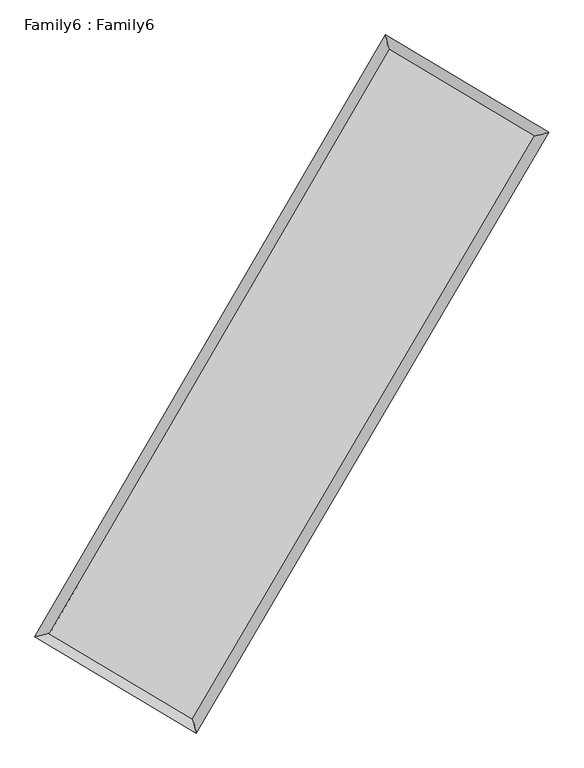
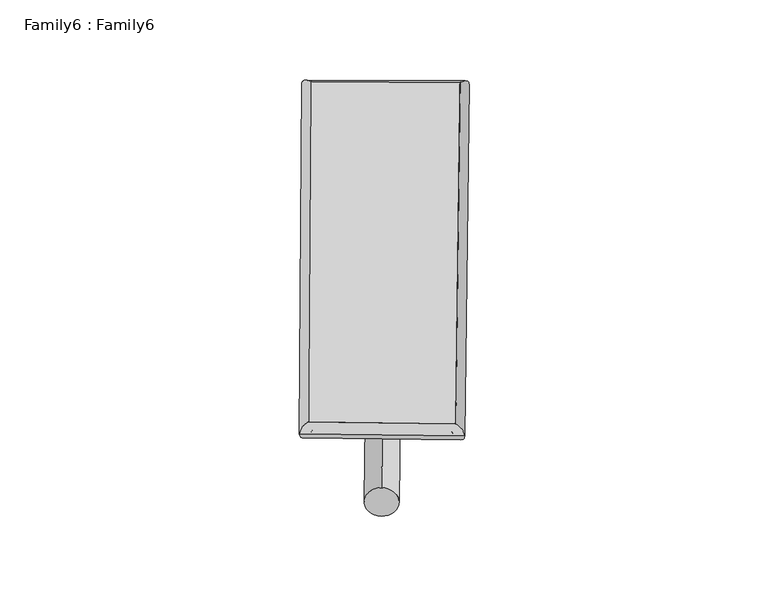
"""IFC4 building model written with IfcOpenShell, lengths in millimetres: plate geometry, Family6 : Family6."""

from ifc_helpers import new_model, si_unit, point, frame, origin, origin_2d, place, context, project, spatial, circle_curve, ellipse_curve, trimmed, segment, composite_curve, outline, extrude, source, transform, mapped, element, save
from ifc_brep_helpers import plane_surface, cylinder_surface, spline_surface, advanced_brep


def family6_family6_68064246(model_context):
    return source(origin(), model_context, "Body", "SolidModel", [
        extrude(outline(composite_curve([segment(trimmed(circle_curve(origin_2d(), 76.2), [point((-75.4341514, -10.7763074))], [point((75.4341514, 10.7763074))], False, "CARTESIAN"), True, "CONTINUOUS"), segment(trimmed(circle_curve(origin_2d(), 76.2), [point((75.4341514, 10.7763074))], [point((-75.4341514, -10.7763074))], False, "CARTESIAN"), True, "CONTINUOUS")], self_intersect=False)), frame((9144.0, 9144.0, 0.0), z_axis=(0.6739639402048355, 0.6857974999852202, 0.2746896363490895), x_axis=(-0.6780620175716024, 0.7218373972519435, -0.13850152437886007)), (0.0, 0.0, 1.0), 5568.7121542),
        extrude(outline(composite_curve([segment(trimmed(circle_curve(origin_2d(), 76.2), [point((-53.8815367, 53.8815367))], [point((53.8815367, -53.8815367))], False, "CARTESIAN"), True, "CONTINUOUS"), segment(trimmed(circle_curve(origin_2d(), 76.2), [point((53.8815367, -53.8815367))], [point((-53.8815367, 53.8815367))], False, "CARTESIAN"), True, "CONTINUOUS")], self_intersect=False)), frame((9144.0, 9144.0, 0.0), z_axis=(-0.6716954859417771, -0.6879505197017818, 0.27486225024089495), x_axis=(0.6430626313834353, -0.35722405065524415, 0.6773931131563647)), (0.0, 0.0, 1.0), 5565.1153701),
        extrude(outline(composite_curve([segment(trimmed(circle_curve(origin_2d(), 76.2), [point((-53.8815367, -53.8815367))], [point((53.8815367, 53.8815367))], False, "CARTESIAN"), True, "CONTINUOUS"), segment(trimmed(circle_curve(origin_2d(), 76.2), [point((53.8815367, 53.8815367))], [point((-53.8815367, -53.8815367))], False, "CARTESIAN"), True, "CONTINUOUS")], self_intersect=False)), frame((9144.0, 9144.0, 0.0), z_axis=(0.26868624167562327, 0.9242311314888598, 0.2713015280477621), x_axis=(-0.8407319022856827, 0.36247978382675705, -0.40221670128924897)), (0.0, 0.0, 1.0), 5586.3083009),
        extrude(outline(composite_curve([segment(trimmed(circle_curve(origin_2d(), 76.2), [point((-75.4341514, 10.7763073))], [point((75.4341514, -10.7763073))], False, "CARTESIAN"), True, "CONTINUOUS"), segment(trimmed(circle_curve(origin_2d(), 76.2), [point((75.4341514, -10.7763073))], [point((-75.4341514, 10.7763073))], False, "CARTESIAN"), True, "CONTINUOUS")], self_intersect=False)), frame((9144.0, 9144.0, 0.0), z_axis=(-0.27152684307420943, -0.9233392594094411, 0.27151019414264854), x_axis=(0.8796296027380109, -0.12360972876927451, 0.45931731617755894)), (0.0, 0.0, 1.0), 5581.2737246),
        advanced_brep(
        [(5198.3068954, 5261.8356521, 1528.5624961), (5198.3008958, 5261.8265771, 1531.0502882), (5613.5673589, 5369.1163258, 1530.7177709), (10699.1070365, 14097.25521, 1517.0637107), (10590.8213279, 14516.8248736, 1514.0842457), (5613.5733585, 5369.1254007, 1528.2299788), (12689.0706238, 12909.6892646, 1529.5165515), (13105.1517469, 13016.3284824, 1529.8184816), (7574.7943698, 4200.046036, 1515.6403988), (7682.2743606, 3781.1356691, 1515.1050263)],
        [
            (0, 1, ellipse_curve(frame((5405.9371271, 5315.4759889, 1529.6401335), z_axis=(-0.2501462550226417, 0.968203632851694, 0.0029285544095917692), x_axis=(-0.9681926862865305, -0.2501581845928001, 0.004879026799110726)), 214.4602113, 152.4)),
            (1, 2, ellipse_curve(frame((5405.9371271, 5315.4759889, 1529.6401335), z_axis=(-0.2501462550226417, 0.968203632851694, 0.0029285544095917692), x_axis=(-0.9681926862865305, -0.2501581845928001, 0.004879026799110726)), 214.4602113, 152.4)),
            (2, 3),
            (3, 4, ellipse_curve(frame((10644.9641822, 14307.0400418, 1515.5739782), z_axis=(-0.9682630562149122, -0.24991694696316674, -0.002858949101962841), x_axis=(0.24990207589624264, -0.9682595584506782, 0.004730743244597205)), 216.6646353, 152.4)),
            (4, 0),
            (2, 5, ellipse_curve(frame((5405.9371271, 5315.4759889, 1529.6401335), z_axis=(-0.2501462550226417, 0.968203632851694, 0.0029285544095917692), x_axis=(-0.9681926862865305, -0.2501581845928001, 0.004879026799110726)), 214.4602113, 152.4)),
            (5, 0, ellipse_curve(frame((5405.9371271, 5315.4759889, 1529.6401335), z_axis=(-0.2501462550226417, 0.968203632851694, 0.0029285544095917692), x_axis=(-0.9681926862865305, -0.2501581845928001, 0.004879026799110726)), 214.4602113, 152.4)),
            (4, 3, ellipse_curve(frame((10644.9641822, 14307.0400418, 1515.5739782), z_axis=(-0.9682630562149122, -0.24991694696316674, -0.002858949101962841), x_axis=(0.24990207589624264, -0.9682595584506782, 0.004730743244597205)), 216.6646353, 152.4)),
            (3, 6),
            (6, 7, ellipse_curve(frame((12897.1111853, 12963.0088735, 1529.6675166), z_axis=(-0.24826704223419185, 0.9686875311920912, -0.002818271324352451), x_axis=(-0.9686769235013973, -0.24827825408383666, -0.004788154649738589)), 214.7664724, 152.4)),
            (7, 4),
            (7, 6, ellipse_curve(frame((12897.1111853, 12963.0088735, 1529.6675166), z_axis=(-0.24826704223419185, 0.9686875311920912, -0.002818271324352451), x_axis=(-0.9686769235013973, -0.24827825408383666, -0.004788154649738589)), 214.7664724, 152.4)),
            (6, 8),
            (8, 9, ellipse_curve(frame((7628.5343652, 3990.5908526, 1515.3727125), z_axis=(0.9686214582546484, 0.24852332658758705, -0.002937133037198144), x_axis=(-0.24850765973227862, 0.9686177669036686, 0.004854347838435619)), 216.2409589, 152.4)),
            (9, 7),
            (9, 8, ellipse_curve(frame((7628.5343652, 3990.5908526, 1515.3727125), z_axis=(0.9686214582546484, 0.24852332658758705, -0.002937133037198144), x_axis=(-0.24850765973227862, 0.9686177669036686, 0.004854347838435619)), 216.2409589, 152.4)),
            (8, 5),
            (1, 9),
        ],
        [
            cylinder_surface(frame((5405.9371271, 5315.4759889, 1529.6401335), z_axis=(-0.5034365948157643, -0.8640311151793089, 0.0013516664928976893), x_axis=(-0.8640070760177001, 0.5034094329605449, -0.00840924477506909)), 152.4),
            cylinder_surface(frame((10644.9641822, 14307.0400418, 1515.5739782), z_axis=(-0.8586988505018122, 0.512452347757531, -0.005373585828915483), x_axis=(0.5124749586183472, 0.8586911773561862, -0.004344964875581473)), 152.4),
            cylinder_surface(frame((12897.1111853, 12963.0088735, 1529.6675166), z_axis=(0.5063543079732746, 0.8623244327585654, 0.0013738502556227747), x_axis=(0.862325446257874, -0.5063543079732746, -0.00037354124942361855)), 152.4),
            cylinder_surface(frame((7628.5343652, 3990.5908526, 1515.3727125), z_axis=(0.8589551223674691, -0.5120211862652578, -0.005513852936420016), x_axis=(-0.5120073161905913, -0.8589727091569977, 0.003793822715406041)), 152.4),
        ],
        [
            (0, [[1, 2, 3, 4, 5]]),
            (0, [[6, 7, -5, 8, -3]]),
            (1, [[-4, 9, 10, 11]]),
            (1, [[-8, -11, 12, -9]]),
            (2, [[-10, 13, 14, 15]]),
            (2, [[-12, -15, 16, -13]]),
            (3, [[-14, 17, -6, -2, 18]]),
            (3, [[-16, -18, -1, -7, -17]]),
        ],
    ),
        extrude(outline(composite_curve([segment(trimmed(circle_curve(origin_2d(), 304.8), [point((0.0, 304.8))], [point((0.0, -304.8))], False, "CARTESIAN"), True, "CONTINUOUS"), segment(trimmed(circle_curve(origin_2d(), 304.8), [point((0.0, -304.8))], [point((0.0, 304.8))], False, "CARTESIAN"), True, "CONTINUOUS")], self_intersect=False)), frame((11788.9470751, 13649.0900375, -0.0010703), z_axis=(-0.5062938320216658, -0.8623610355627017, 2.0487733072437609e-07), x_axis=(-0.8623610355627243, 0.5062938320216658, -5.5697110756762404e-08)), (0.0, 0.0, 1.0), 10448.2690003),
        advanced_brep(
        [(5405.9371271, 5315.4759889, 1529.6401335), (7628.5343652, 3990.5908526, 1515.3727125), (7628.5330702, 3990.5896854, 1667.7727125), (5405.9358321, 5315.4748218, 1682.0401335), (12897.1111853, 12963.0088735, 1529.6675166), (12897.1098903, 12963.0077064, 1682.0675166), (10644.9641822, 14307.0400418, 1515.5739782), (10644.9628872, 14307.0388746, 1667.9739782)],
        [
            (0, 1),
            (1, 2),
            (2, 3),
            (3, 0),
            (1, 4),
            (4, 5),
            (5, 2),
            (4, 6),
            (6, 7),
            (7, 5),
            (6, 0),
            (3, 7),
        ],
        [
            plane_surface(frame((6517.2357462, 4653.0334207, 1522.506423), z_axis=(-0.5120290215586522, -0.8589681489800626, -1.0929519548629179e-05), x_axis=(0.8589551223674692, -0.5120211862652576, -0.005513852936420017))),
            plane_surface(frame((10262.8227753, 8476.799863, 1522.5201146), z_axis=(0.8623252441580397, -0.5063547899209366, 3.4498847535958943e-06), x_axis=(0.5063543079732745, 0.8623244327585654, 0.0013738502556227732))),
            plane_surface(frame((11771.0376838, 13635.0244577, 1522.6207474), z_axis=(0.5124596960854654, 0.8587112784682062, 1.0931212059468991e-05), x_axis=(-0.8586988505018123, 0.5124523477575311, -0.005373585828915485))),
            plane_surface(frame((8025.4506547, 9811.2580154, 1522.6070558), z_axis=(-0.8640319068412098, 0.503437050631145, -3.486733112050477e-06), x_axis=(-0.5034365948157645, -0.8640311151793088, 0.0013516664928976876))),
            spline_surface(1, 1, [[(7628.5330702, 3990.5896854, 1667.7727125), (5405.9358321, 5315.4748218, 1682.0401335)], [(12897.1098903, 12963.0077064, 1682.0675166), (10644.9628872, 14307.0388746, 1667.9739782)]], [2, 2], [2, 2], [0.0, 1.0], [0.0, 1.0]),
            spline_surface(1, 1, [[(10644.9641822, 14307.0400418, 1515.5739782), (5405.9371271, 5315.4759889, 1529.6401335)], [(12897.1111853, 12963.0088735, 1529.6675166), (7628.5343652, 3990.5908526, 1515.3727125)]], [2, 2], [2, 2], [0.0, 1.0], [0.0, 1.0]),
        ],
        [
            (0, [[1, 2, 3, 4]]),
            (1, [[5, 6, 7, -2]]),
            (2, [[8, 9, 10, -6]]),
            (3, [[11, -4, 12, -9]]),
            (4, [[-3, -7, -10, -12]]),
            (5, [[-11, -8, -5, -1]]),
        ],
    ),
    ])


if __name__ == "__main__":
    model = new_model("IFC4")
    model_context = context("Model", 3, world=origin())
    ifc_project = project(units=[si_unit("LENGTHUNIT", "METRE", prefix="MILLI")], contexts=[model_context])
    site = spatial("IfcSite", under=ifc_project)
    building = spatial("IfcBuilding", under=site)
    placement = place(None, origin())
    family6_family6_shape = family6_family6_68064246(model_context)
    element("IfcPlate", 1, ObjectType="Family6 : Family6", at=placement, inside=building, context=model_context, shape_type="MappedRepresentation", body=[
        mapped(family6_family6_shape, transform((0.0, 0.0, 0.0), x_axis=(1.0, 0.0, 0.0), y_axis=(0.0, 1.0, 0.0), z_axis=(0.0, 0.0, 1.0))),
    ])
    save(model, "model.ifc")
